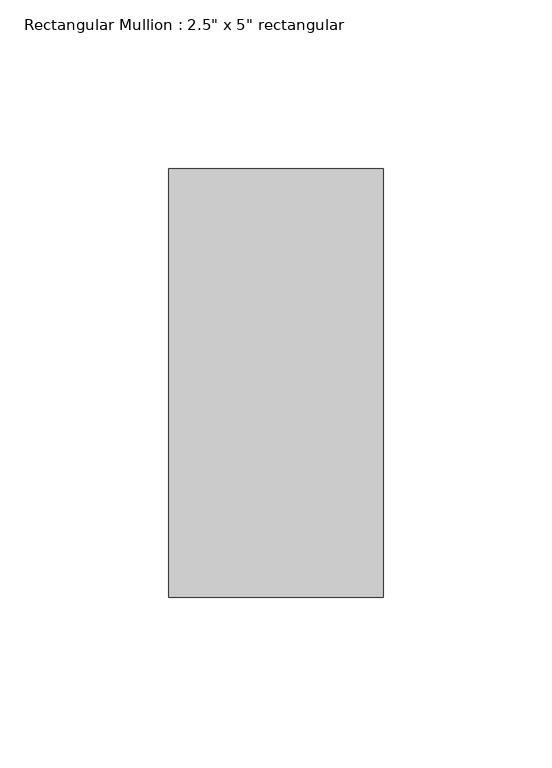
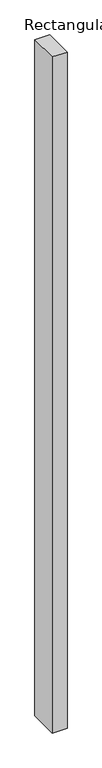
"""IFC4 building model written with IfcOpenShell, lengths in millimetres: member geometry."""

from ifc_helpers import new_model, si_unit, frame, origin, place, context, project, spatial, polyline, outline, extrude, source, transform, mapped, element, save


def member_903191d7(model_context):
    return source(origin(), model_context, "Body", "SweptSolid", [
        extrude(outline(polyline([(0.0, 63.5), (0.0, -63.5), (-63.5, -63.5), (-63.5, 63.5), (0.0, 63.5)])), frame((0.0, 0.0, -3040.0), z_axis=(0.0, 0.0, 1.0), x_axis=(1.0, 0.0, 0.0)), (0.0, 0.0, 1.0), 3040.0),
    ])


if __name__ == "__main__":
    model = new_model("IFC4")
    model_context = context("Model", 3, world=origin())
    ifc_project = project(units=[si_unit("LENGTHUNIT", "METRE", prefix="MILLI")], contexts=[model_context])
    site = spatial("IfcSite", under=ifc_project)
    building = spatial("IfcBuilding", under=site)
    placement = place(None, origin())
    member_shape = member_903191d7(model_context)
    element("IfcMember", 1, ObjectType="Rectangular Mullion : 2.5\" x 5\" rectangular", at=placement, inside=building, context=model_context, shape_type="MappedRepresentation", body=[
        mapped(member_shape, transform((0.0, 0.0, 0.0), x_axis=(1.0, 0.0, 0.0), y_axis=(0.0, 1.0, 0.0), z_axis=(0.0, 0.0, 1.0))),
    ])
    save(model, "model.ifc")
